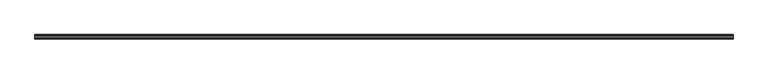
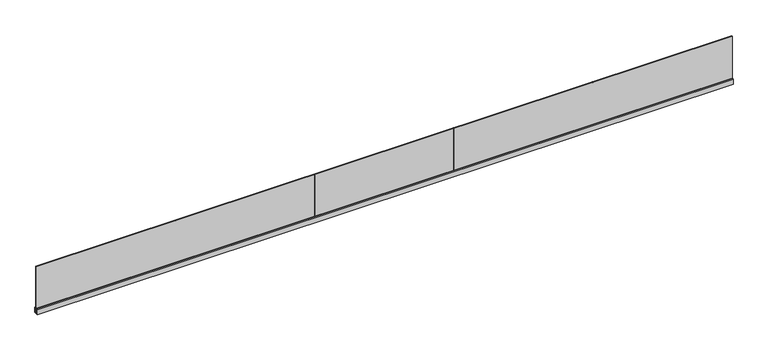
"""IFC4 building model written with IfcOpenShell, lengths in millimetres: railing geometry."""

from ifc_helpers import new_model, si_unit, frame, origin, place, context, project, spatial, polyline, outline, extrude, source, transform, mapped, element, save


def railing_dc8f7c76(model_context):
    return source(origin(), model_context, "Body", "SweptSolid", [
        extrude(outline(polyline([(-3061.5739061, -3122.1175492), (-3061.5739061, -3135.6175492), (-13061.5739061, -3135.6175492), (-13061.5739061, -3122.1175492), (-3061.5739061, -3122.1175492)])), frame((0.0, 0.0, 313.0), z_axis=(0.0, 0.0, 1.0), x_axis=(1.0, 0.0, 0.0)), (0.0, 0.0, 1.0), 700.0),
        extrude(outline(polyline([(-3118.6175492, 383.0), (-3112.3675492, 383.0), (-3097.8675492, 378.7), (-3097.8675492, 300.0), (-3159.8675492, 300.0), (-3159.8675492, 378.7), (-3145.3675492, 383.0), (-3139.1175492, 383.0), (-3139.1175492, 312.3), (-3118.6175492, 312.3), (-3118.6175492, 383.0)])), frame((-13061.5739061, 0.0, 0.0), z_axis=(1.0, 0.0, 0.0), x_axis=(0.0, 1.0, 0.0)), (0.0, 0.0, 1.0), 10000.0),
        extrude(outline(polyline([(-11063.2405711, -3135.6175492), (-11063.2405711, -3122.1175492), (-11059.9072411, -3122.1175492), (-11059.9072411, -3135.6175492), (-11063.2405711, -3135.6175492)])), frame((0.0, 0.0, 307.9), z_axis=(0.0, 0.0, 1.0), x_axis=(1.0, 0.0, 0.0)), (0.0, 0.0, 1.0), 705.0),
        extrude(outline(polyline([(-9063.2405711, -3135.6175492), (-9063.2405711, -3122.1175492), (-9059.9072411, -3122.1175492), (-9059.9072411, -3135.6175492), (-9063.2405711, -3135.6175492)])), frame((0.0, 0.0, 307.9), z_axis=(0.0, 0.0, 1.0), x_axis=(1.0, 0.0, 0.0)), (0.0, 0.0, 1.0), 705.0),
        extrude(outline(polyline([(-7063.2405711, -3135.6175492), (-7063.2405711, -3122.1175492), (-7059.9072411, -3122.1175492), (-7059.9072411, -3135.6175492), (-7063.2405711, -3135.6175492)])), frame((0.0, 0.0, 307.9), z_axis=(0.0, 0.0, 1.0), x_axis=(1.0, 0.0, 0.0)), (0.0, 0.0, 1.0), 705.0),
        extrude(outline(polyline([(-5063.2405711, -3135.6175492), (-5063.2405711, -3122.1175492), (-5059.9072411, -3122.1175492), (-5059.9072411, -3135.6175492), (-5063.2405711, -3135.6175492)])), frame((0.0, 0.0, 307.9), z_axis=(0.0, 0.0, 1.0), x_axis=(1.0, 0.0, 0.0)), (0.0, 0.0, 1.0), 705.0),
    ])


if __name__ == "__main__":
    model = new_model("IFC4")
    model_context = context("Model", 3, world=origin())
    ifc_project = project(units=[si_unit("LENGTHUNIT", "METRE", prefix="MILLI")], contexts=[model_context])
    site = spatial("IfcSite", under=ifc_project)
    building = spatial("IfcBuilding", under=site)
    placement = place(None, origin())
    railing_shape = railing_dc8f7c76(model_context)
    element("IfcRailing", 1, at=placement, inside=building, context=model_context, shape_type="MappedRepresentation", body=[
        mapped(railing_shape, transform((0.0, 0.0, 0.0), x_axis=(1.0, 0.0, 0.0), y_axis=(0.0, 1.0, 0.0), z_axis=(0.0, 0.0, 1.0))),
    ])
    save(model, "model.ifc")
